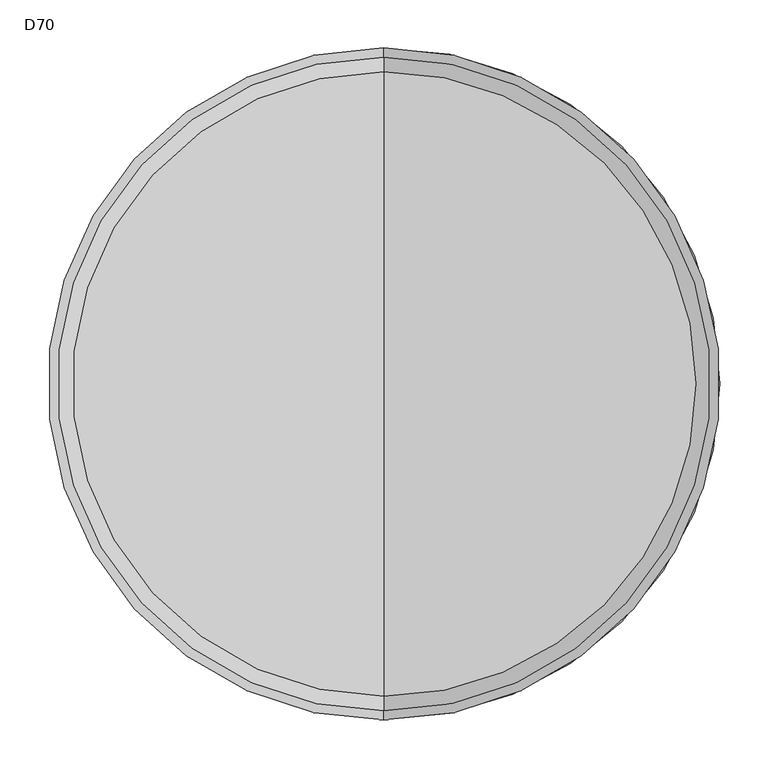
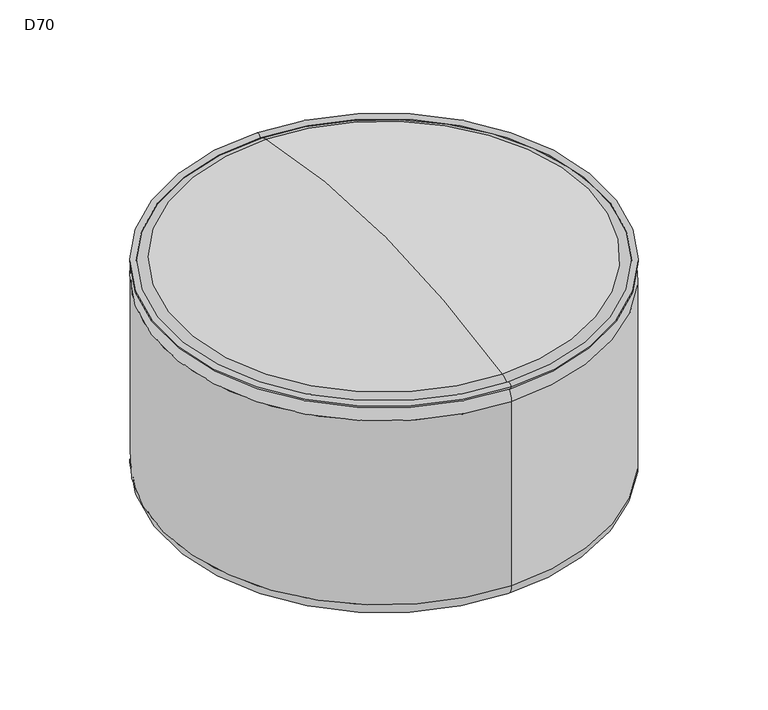
"""IFC4 building model written with IfcOpenShell, lengths in millimetres: furniture geometry, D70."""

from ifc_helpers import new_model, si_unit, point, frame, origin, place, context, project, spatial, circle_curve, ellipse_curve, trimmed, source, transform, mapped, element, save
from ifc_brep_helpers import plane_surface, cylinder_surface, revolved_surface, advanced_brep


def d70_9d083445(model_context):
    return source(origin(), model_context, "Body", "AdvancedBrep", [
        advanced_brep(
        [(-361.1339083, 686.3106598, 358.378125), (-361.1339083, 5.2731598, 358.378125), (-361.1339083, -4.2518402, 358.378125), (-361.1339083, 695.8356598, 358.378125)],
        [
            (0, 1, circle_curve(frame((-361.1339083, 345.7919098, 358.378125), z_axis=(0.0, 0.0, -1.0), x_axis=(0.0, -1.0, 0.0)), 340.51875)),
            (1, 2, circle_curve(frame((-361.1339083, 0.5106598, 358.378125), z_axis=(1.0, 0.0, 0.0), x_axis=(0.0, 1.0, 0.0)), 4.7625)),
            (2, 3, circle_curve(frame((-361.1339083, 345.7919098, 358.378125), z_axis=(0.0, 0.0, 1.0), x_axis=(0.0, -1.0, 0.0)), 350.04375)),
            (3, 0, circle_curve(frame((-361.1339083, 691.0731598, 358.378125), z_axis=(1.0, 0.0, 0.0), x_axis=(0.0, -1.0, 0.0)), 4.7625)),
            (2, 1, circle_curve(frame((-361.1339083, 0.5106598, 358.378125), z_axis=(1.0, 0.0, 0.0), x_axis=(0.0, 1.0, 0.0)), 4.7625)),
            (0, 3, circle_curve(frame((-361.1339083, 691.0731598, 358.378125), z_axis=(1.0, 0.0, 0.0), x_axis=(0.0, -1.0, 0.0)), 4.7625)),
            (1, 0, circle_curve(frame((-361.1339083, 345.7919098, 358.378125), z_axis=(0.0, 0.0, -1.0), x_axis=(0.0, 1.0, 0.0)), 340.51875)),
            (3, 2, circle_curve(frame((-361.1339083, 345.7919098, 358.378125), z_axis=(0.0, 0.0, 1.0), x_axis=(0.0, 1.0, 0.0)), 350.04375)),
        ],
        [
            revolved_surface(trimmed(ellipse_curve(frame((-361.1339083, 0.5106598, 358.378125), z_axis=(-1.0, 0.0, 0.0), x_axis=(0.0, 1.0, 0.0)), 4.7625, 4.7625), [point((-361.1339083, -4.2518402, 358.378125))], [point((-361.1339083, 5.2731598, 358.378125))], True, "CARTESIAN"), (-361.1339083, 345.7919098, 353.615625), (0.0, 0.0, 1.0)),
            revolved_surface(trimmed(ellipse_curve(frame((-361.1339083, 0.5106598, 358.378125), z_axis=(-1.0, 0.0, 0.0), x_axis=(0.0, 1.0, 0.0)), 4.7625, 4.7625), [point((-361.1339083, 5.2731598, 358.378125))], [point((-361.1339083, -4.2518402, 358.378125))], True, "CARTESIAN"), (-361.1339083, 345.7919098, 353.615625), (0.0, 0.0, 1.0)),
            revolved_surface(trimmed(ellipse_curve(frame((-361.1339083, 691.0731598, 358.378125), z_axis=(1.0, 0.0, 0.0), x_axis=(0.0, -1.0, 0.0)), 4.7625, 4.7625), [point((-361.1339083, 695.8356598, 358.378125))], [point((-361.1339083, 686.3106598, 358.378125))], True, "CARTESIAN"), (-361.1339083, 345.7919098, 353.615625), (0.0, 0.0, 1.0)),
            revolved_surface(trimmed(ellipse_curve(frame((-361.1339083, 691.0731598, 358.378125), z_axis=(1.0, 0.0, 0.0), x_axis=(0.0, -1.0, 0.0)), 4.7625, 4.7625), [point((-361.1339083, 686.3106598, 358.378125))], [point((-361.1339083, 695.8356598, 358.378125))], True, "CARTESIAN"), (-361.1339083, 345.7919098, 353.615625), (0.0, 0.0, 1.0)),
        ],
        [
            (0, [[1, 2, 3, 4]]),
            (1, [[-3, 5, -1, 6]]),
            (2, [[7, -4, 8, -2]]),
            (3, [[-8, -6, -7, -5]]),
        ],
    ),
        advanced_brep(
        [(-361.1339083, -4.2518402, 333.7825319), (-361.1339083, 695.8356598, 333.7825319), (-361.1339083, 695.8356598, 24.9923986), (-361.1339083, -4.2518402, 24.9923986), (-361.1339083, 20.6919258, 364.7944277), (-361.1339083, 670.8918938, 364.7944277), (-361.1339083, 345.7919098, 400.05), (-361.1339083, 20.7405585, 0.0), (-361.1339083, 670.8432612, 0.0), (-361.1339083, 345.7919098, 0.0)],
        [
            (0, 1, circle_curve(frame((-361.1339083, 345.7919098, 333.7825319), z_axis=(0.0, 0.0, -1.0), x_axis=(0.0, 1.0, 0.0)), 350.04375)),
            (1, 2),
            (2, 3, circle_curve(frame((-361.1339083, 345.7919098, 24.9923986), z_axis=(0.0, 0.0, 1.0), x_axis=(0.0, 1.0, 0.0)), 350.04375)),
            (3, 0),
            (1, 0, circle_curve(frame((-361.1339083, 345.7919098, 333.7825319), z_axis=(0.0, 0.0, -1.0), x_axis=(0.0, 1.0, 0.0)), 350.04375)),
            (3, 2, circle_curve(frame((-361.1339083, 345.7919098, 24.9923986), z_axis=(0.0, 0.0, 1.0), x_axis=(0.0, 1.0, 0.0)), 350.04375)),
            (4, 5, circle_curve(frame((-361.1339083, 345.7919098, 364.7944277), z_axis=(0.0, 0.0, -1.0), x_axis=(0.0, 1.0, 0.0)), 325.099984)),
            (5, 1, circle_curve(frame((-361.1339083, 664.0856598, 333.7825319), z_axis=(-1.0, 0.0, 0.0), x_axis=(0.0, -1.0, 0.0)), 31.75)),
            (0, 4, circle_curve(frame((-361.1339083, 27.4981598, 333.7825319), z_axis=(-1.0, 0.0, 0.0), x_axis=(0.0, 1.0, 0.0)), 31.75)),
            (5, 4, circle_curve(frame((-361.1339083, 345.7919098, 364.7944277), z_axis=(0.0, 0.0, -1.0), x_axis=(0.0, 1.0, 0.0)), 325.099984)),
            (6, 5, circle_curve(frame((-361.1339083, 345.7919098, -1116.4897677), z_axis=(-1.0, 0.0, 0.0), x_axis=(0.0, -1.0, 0.0)), 1516.5397677)),
            (4, 6, circle_curve(frame((-361.1339083, 345.7919098, -1116.4897677), z_axis=(-1.0, 0.0, 0.0), x_axis=(0.0, 1.0, 0.0)), 1516.5397677)),
            (7, 8, circle_curve(frame((-361.1339083, 345.7919098, 0.0), z_axis=(0.0, 0.0, -1.0), x_axis=(0.0, 1.0, 0.0)), 325.0513514)),
            (8, 9),
            (9, 7),
            (8, 7, circle_curve(frame((-361.1339083, 345.7919098, 0.0), z_axis=(0.0, 0.0, -1.0), x_axis=(0.0, 1.0, 0.0)), 325.0513514)),
            (2, 8, circle_curve(frame((-361.1339083, 670.8432612, 24.9923986), z_axis=(-1.0, 0.0, 0.0), x_axis=(0.0, 1.0, 0.0)), 24.9923986)),
            (7, 3, circle_curve(frame((-361.1339083, 20.7405585, 24.9923986), z_axis=(-1.0, 0.0, 0.0), x_axis=(0.0, -1.0, 0.0)), 24.9923986)),
        ],
        [
            cylinder_surface(frame((-361.1339083, 345.7919098, 660.4), z_axis=(0.0, 0.0, 1.0), x_axis=(0.0, 1.0, 0.0)), 350.04375),
            revolved_surface(trimmed(ellipse_curve(frame((-361.1339083, 664.0856598, 333.7825319), z_axis=(1.0, 0.0, 0.0), x_axis=(0.0, -1.0, 0.0)), 31.75, 31.75), [point((-361.1339083, 695.8356598, 333.7825319))], [point((-361.1339083, 670.8918938, 364.7944277))], True, "CARTESIAN"), (-361.1339083, 345.7919098, 660.4), (0.0, 0.0, 1.0)),
            revolved_surface(trimmed(ellipse_curve(frame((-361.1339083, 345.7919098, -1116.4897677), z_axis=(1.0, 0.0, 0.0), x_axis=(0.0, -1.0, 0.0)), 1516.5397677, 1516.5397677), [point((-361.1339083, 670.8918938, 364.7944277))], [point((-361.1339083, 345.7919098, 400.05))], True, "CARTESIAN"), (-361.1339083, 345.7919098, 660.4), (0.0, 0.0, 1.0)),
            plane_surface(frame((-361.1339083, 345.7919098, 0.0), z_axis=(0.0, 0.0, -1.0), x_axis=(0.0, 1.0, 0.0))),
            revolved_surface(trimmed(ellipse_curve(frame((-361.1339083, 670.8432612, 24.9923986), z_axis=(1.0, 0.0, 0.0), x_axis=(0.0, 1.0, 0.0)), 24.9923986, 24.9923986), [point((-361.1339083, 670.8432612, 0.0))], [point((-361.1339083, 695.8356598, 24.9923986))], True, "CARTESIAN"), (-361.1339083, 345.7919098, 660.4), (0.0, 0.0, 1.0)),
        ],
        [
            (0, [[1, 2, 3, 4]]),
            (0, [[5, -4, 6, -2]]),
            (1, [[7, 8, -1, 9]]),
            (1, [[10, -9, -5, -8]]),
            (2, [[11, -7, 12]]),
            (2, [[-12, -10, -11]]),
            (3, [[13, 14, 15]]),
            (3, [[16, -15, -14]]),
            (4, [[-3, 17, -13, 18]]),
            (4, [[-6, -18, -16, -17]]),
        ],
    ),
    ])


if __name__ == "__main__":
    model = new_model("IFC4")
    model_context = context("Model", 3, world=origin())
    ifc_project = project(units=[si_unit("LENGTHUNIT", "METRE", prefix="MILLI")], contexts=[model_context])
    site = spatial("IfcSite", under=ifc_project)
    building = spatial("IfcBuilding", under=site)
    placement = place(None, origin())
    d70_shape = d70_9d083445(model_context)
    element("IfcFurniture", 1, ObjectType="D70", at=placement, inside=building, context=model_context, shape_type="MappedRepresentation", body=[
        mapped(d70_shape, transform((0.0, 0.0, 0.0), x_axis=(1.0, 0.0, 0.0), y_axis=(0.0, 1.0, 0.0), z_axis=(0.0, 0.0, 1.0))),
    ])
    save(model, "model.ifc")
